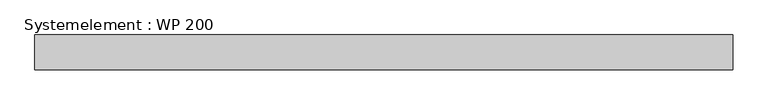
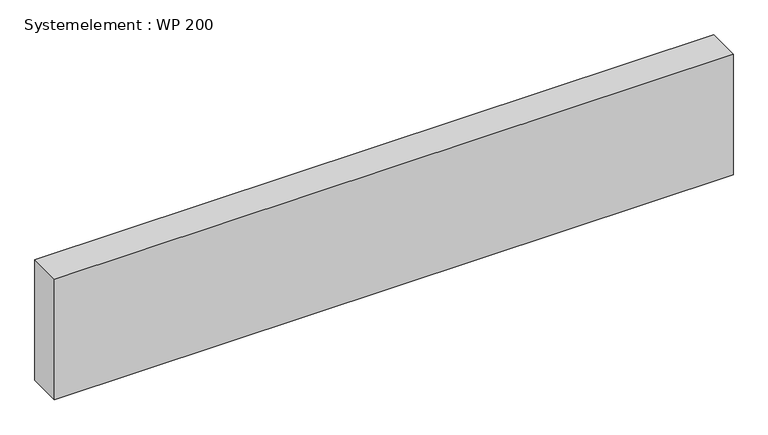
"""IFC4 building model written with IfcOpenShell, lengths in millimetres: plate geometry, Systemelement : WP 200."""

from ifc_helpers import new_model, si_unit, origin, origin_with_axes, place, context, project, spatial, polyline, outline, extrude, source, transform, mapped, element, save


def systemelement_wp_200_3cf34c39(model_context):
    return source(origin(), model_context, "Body", "SweptSolid", [
        extrude(outline(polyline([(2000.0, -200.0), (-2000.0, -200.0), (-2000.0, 0.0), (2000.0, 0.0), (2000.0, -200.0)])), origin_with_axes(), (0.0, 0.0, 1.0), 751.6147161),
    ])


if __name__ == "__main__":
    model = new_model("IFC4")
    model_context = context("Model", 3, world=origin())
    ifc_project = project(units=[si_unit("LENGTHUNIT", "METRE", prefix="MILLI")], contexts=[model_context])
    site = spatial("IfcSite", under=ifc_project)
    building = spatial("IfcBuilding", under=site)
    placement = place(None, origin())
    systemelement_wp_200_shape = systemelement_wp_200_3cf34c39(model_context)
    element("IfcPlate", 1, ObjectType="Systemelement : WP 200", at=placement, inside=building, context=model_context, shape_type="MappedRepresentation", body=[
        mapped(systemelement_wp_200_shape, transform((0.0, 0.0, 0.0), x_axis=(1.0, 0.0, 0.0), y_axis=(0.0, 1.0, 0.0), z_axis=(0.0, 0.0, 1.0))),
    ])
    save(model, "model.ifc")
